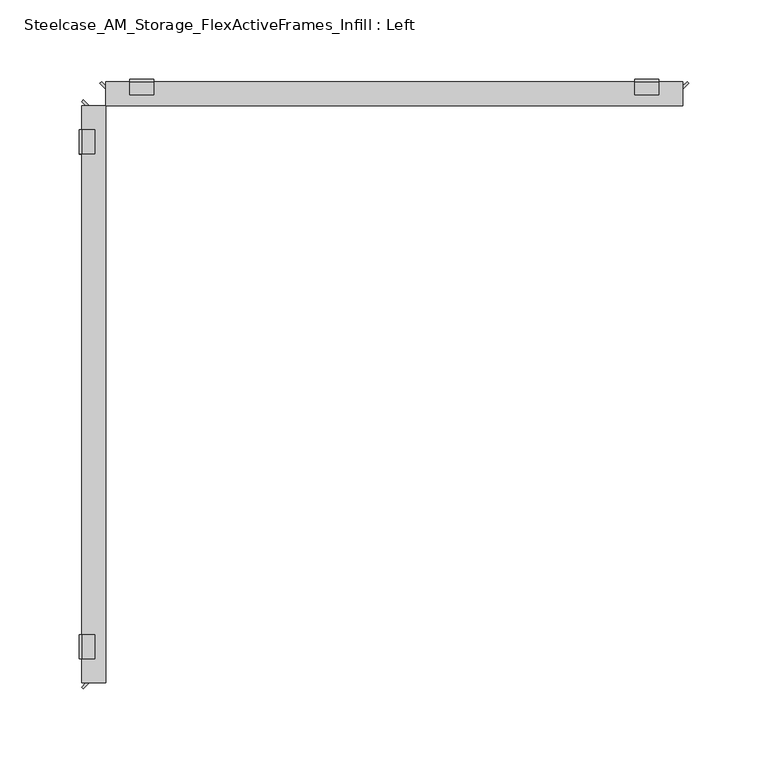
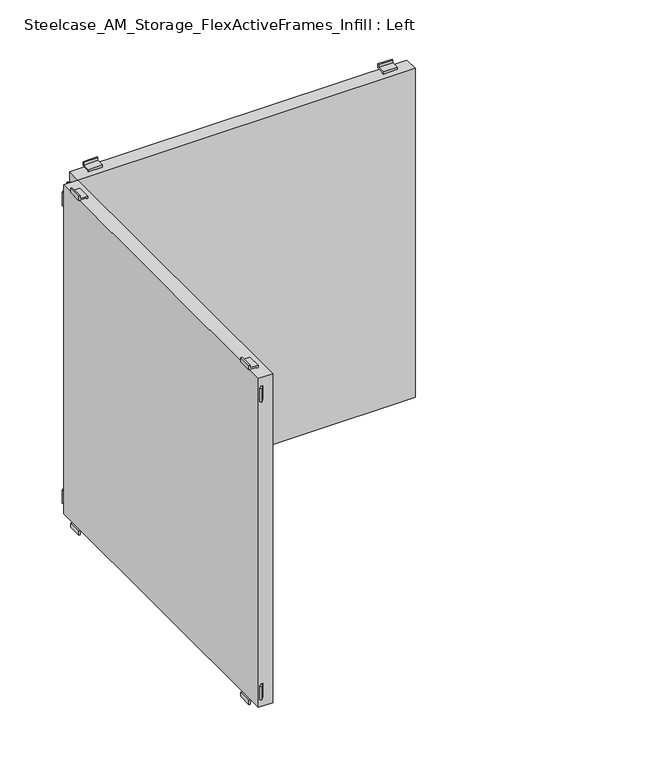
"""IFC4 building model written with IfcOpenShell, lengths in millimetres: furniture geometry, Steelcase_AM_Storage_FlexActiveFrames_Infill : Left."""

from ifc_helpers import new_model, si_unit, frame, origin, place, context, project, spatial, polyline, outline, extrude, source, transform, mapped, element, save


def steelcase_am_storage_flexactiveframes_infill_left_2d17d1c5(model_context):
    return source(origin(), model_context, "Body", "SweptSolid", [
        extrude(outline(polyline([(5.2076414, -382.27), (7.3629029, -382.27), (3.6302862, -386.0026167), (2.5526555, -384.924986), (5.2076414, -382.27)])), frame((0.0, 0.0, 472.0336), z_axis=(0.0, 0.0, 1.0), x_axis=(1.0, 0.0, 0.0)), (0.0, 0.0, 1.0), 15.24),
        extrude(outline(polyline([(5.2076414, -17.78), (2.5526555, -15.125014), (3.6302862, -14.0473833), (7.3629029, -17.78), (5.2076414, -17.78)])), frame((0.0, 0.0, 472.0336), z_axis=(0.0, 0.0, 1.0), x_axis=(1.0, 0.0, 0.0)), (0.0, 0.0, 1.0), 15.24),
        extrude(outline(polyline([(5.2076414, -382.27), (7.3629029, -382.27), (3.6302862, -386.0026167), (2.5526555, -384.924986), (5.2076414, -382.27)])), frame((0.0, 0.0, 131.6736), z_axis=(0.0, 0.0, 1.0), x_axis=(1.0, 0.0, 0.0)), (0.0, 0.0, 1.0), 15.24),
        extrude(outline(polyline([(5.2076414, -17.78), (2.5526555, -15.125014), (3.6302862, -14.0473833), (7.3629029, -17.78), (5.2076414, -17.78)])), frame((0.0, 0.0, 131.6736), z_axis=(0.0, 0.0, 1.0), x_axis=(1.0, 0.0, 0.0)), (0.0, 0.0, 1.0), 15.24),
        extrude(outline(polyline([(503.0770636, 2.54), (503.0770636, 1.016), (498.4496, 1.016), (498.4496, 9.398), (497.4336, 9.398), (497.4336, 10.922), (499.9736, 10.922), (499.9736, 2.54), (503.0770636, 2.54)])), frame((0.0, -48.26, 0.0), z_axis=(0.0, 1.0, 0.0), x_axis=(0.0, 0.0, 1.0)), (0.0, 0.0, 1.0), 15.24),
        extrude(outline(polyline([(115.8701364, 2.54), (118.9736, 2.54), (118.9736, 10.922), (121.5136, 10.922), (121.5136, 9.398), (120.4976, 9.398), (120.4976, 1.016), (115.8701364, 1.016), (115.8701364, 2.54)])), frame((0.0, -48.26, 0.0), z_axis=(0.0, 1.0, 0.0), x_axis=(0.0, 0.0, 1.0)), (0.0, 0.0, 1.0), 15.24),
        extrude(outline(polyline([(503.0770636, 2.54), (503.0770636, 1.016), (498.4496, 1.016), (498.4496, 9.398), (497.4336, 9.398), (497.4336, 10.922), (499.9736, 10.922), (499.9736, 2.54), (503.0770636, 2.54)])), frame((0.0, -367.03, 0.0), z_axis=(0.0, 1.0, 0.0), x_axis=(0.0, 0.0, 1.0)), (0.0, 0.0, 1.0), 15.24),
        extrude(outline(polyline([(115.8701364, 2.54), (118.9736, 2.54), (118.9736, 10.922), (121.5136, 10.922), (121.5136, 9.398), (120.4976, 9.398), (120.4976, 1.016), (115.8701364, 1.016), (115.8701364, 2.54)])), frame((0.0, -367.03, 0.0), z_axis=(0.0, 1.0, 0.0), x_axis=(0.0, 0.0, 1.0)), (0.0, 0.0, 1.0), 15.24),
        extrude(outline(polyline([(17.78, -17.78), (17.78, -382.27), (2.54, -382.27), (2.54, -17.78), (17.78, -17.78)])), frame((0.0, 0.0, 121.5136), z_axis=(0.0, 0.0, 1.0), x_axis=(1.0, 0.0, 0.0)), (0.0, 0.0, 1.0), 375.92),
        extrude(outline(polyline([(17.78, -5.2076414), (17.78, -7.3629029), (14.0473833, -3.6302862), (15.125014, -2.5526555), (17.78, -5.2076414)])), frame((0.0, 0.0, 472.0336), z_axis=(0.0, 0.0, 1.0), x_axis=(1.0, 0.0, 0.0)), (0.0, 0.0, 1.0), 15.24),
        extrude(outline(polyline([(382.27, -5.2076414), (384.924986, -2.5526555), (386.0026167, -3.6302862), (382.27, -7.3629029), (382.27, -5.2076414)])), frame((0.0, 0.0, 472.0336), z_axis=(0.0, 0.0, 1.0), x_axis=(1.0, 0.0, 0.0)), (0.0, 0.0, 1.0), 15.24),
        extrude(outline(polyline([(17.78, -5.2076414), (17.78, -7.3629029), (14.0473833, -3.6302862), (15.125014, -2.5526555), (17.78, -5.2076414)])), frame((0.0, 0.0, 131.6736), z_axis=(0.0, 0.0, 1.0), x_axis=(1.0, 0.0, 0.0)), (0.0, 0.0, 1.0), 15.24),
        extrude(outline(polyline([(382.27, -5.2076414), (384.924986, -2.5526555), (386.0026167, -3.6302862), (382.27, -7.3629029), (382.27, -5.2076414)])), frame((0.0, 0.0, 131.6736), z_axis=(0.0, 0.0, 1.0), x_axis=(1.0, 0.0, 0.0)), (0.0, 0.0, 1.0), 15.24),
        extrude(outline(polyline([(-2.54, 503.0770636), (-1.016, 503.0770636), (-1.016, 498.4496), (-9.398, 498.4496), (-9.398, 497.4336), (-10.922, 497.4336), (-10.922, 499.9736), (-2.54, 499.9736), (-2.54, 503.0770636)])), frame((351.79, 0.0, 0.0), z_axis=(1.0, 0.0, 0.0), x_axis=(0.0, 1.0, 0.0)), (0.0, 0.0, 1.0), 15.24),
        extrude(outline(polyline([(-2.54, 115.8701364), (-2.54, 118.9736), (-10.922, 118.9736), (-10.922, 121.5136), (-9.398, 121.5136), (-9.398, 120.4976), (-1.016, 120.4976), (-1.016, 115.8701364), (-2.54, 115.8701364)])), frame((351.79, 0.0, 0.0), z_axis=(1.0, 0.0, 0.0), x_axis=(0.0, 1.0, 0.0)), (0.0, 0.0, 1.0), 15.24),
        extrude(outline(polyline([(-2.54, 503.0770636), (-1.016, 503.0770636), (-1.016, 498.4496), (-9.398, 498.4496), (-9.398, 497.4336), (-10.922, 497.4336), (-10.922, 499.9736), (-2.54, 499.9736), (-2.54, 503.0770636)])), frame((33.02, 0.0, 0.0), z_axis=(1.0, 0.0, 0.0), x_axis=(0.0, 1.0, 0.0)), (0.0, 0.0, 1.0), 15.24),
        extrude(outline(polyline([(-2.54, 115.8701364), (-2.54, 118.9736), (-10.922, 118.9736), (-10.922, 121.5136), (-9.398, 121.5136), (-9.398, 120.4976), (-1.016, 120.4976), (-1.016, 115.8701364), (-2.54, 115.8701364)])), frame((33.02, 0.0, 0.0), z_axis=(1.0, 0.0, 0.0), x_axis=(0.0, 1.0, 0.0)), (0.0, 0.0, 1.0), 15.24),
        extrude(outline(polyline([(382.27, -17.78), (17.78, -17.78), (17.78, -2.54), (382.27, -2.54), (382.27, -17.78)])), frame((0.0, 0.0, 121.5136), z_axis=(0.0, 0.0, 1.0), x_axis=(1.0, 0.0, 0.0)), (0.0, 0.0, 1.0), 375.92),
    ])


if __name__ == "__main__":
    model = new_model("IFC4")
    model_context = context("Model", 3, world=origin())
    ifc_project = project(units=[si_unit("LENGTHUNIT", "METRE", prefix="MILLI")], contexts=[model_context])
    site = spatial("IfcSite", under=ifc_project)
    building = spatial("IfcBuilding", under=site)
    placement = place(None, origin())
    steelcase_am_storage_flexactiveframes_infill_left_shape = steelcase_am_storage_flexactiveframes_infill_left_2d17d1c5(model_context)
    element("IfcFurniture", 1, ObjectType="Steelcase_AM_Storage_FlexActiveFrames_Infill : Left", at=placement, inside=building, context=model_context, shape_type="MappedRepresentation", body=[
        mapped(steelcase_am_storage_flexactiveframes_infill_left_shape, transform((0.0, 0.0, 0.0), x_axis=(1.0, 0.0, 0.0), y_axis=(0.0, 1.0, 0.0), z_axis=(0.0, 0.0, 1.0))),
    ])
    save(model, "model.ifc")
